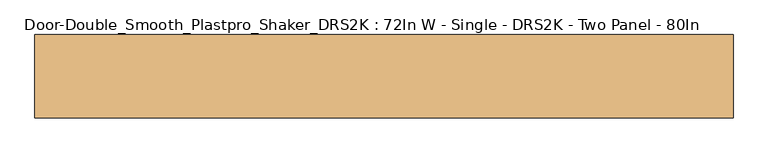
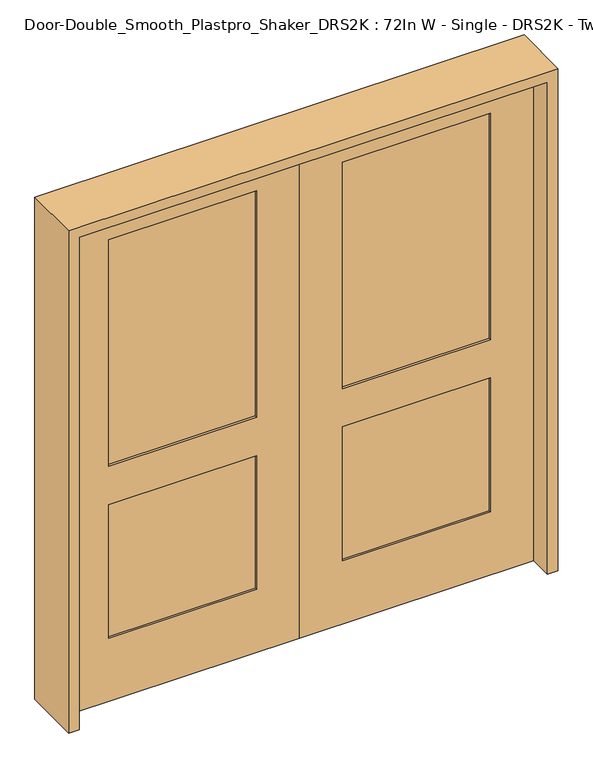
"""IFC4 building model written with IfcOpenShell, lengths in millimetres: door geometry, Door-Double_Smooth_Plastpro_Shaker_DRS2K : 72In W - Single - DRS2K - Two Panel - 80In."""

from ifc_helpers import new_model, si_unit, frame, origin, place, context, project, spatial, polyline, outline, extrude, faceted_brep, source, transform, mapped, element, save


def door_double_smooth_plastpro_shaker_drs2k_72in_w_single_drs2k_bf1fdfca(model_context):
    return source(origin(), model_context, "Body", "SolidModel", [
        faceted_brep([(0.0, 20.6375, 2032.0), (0.0, -20.6375, 2032.0), (914.4, -20.6375, 2032.0), (914.4, 20.6375, 2032.0), (0.0, 20.6375, 0.0), (914.4, 20.6375, 0.0), (914.4, -20.6375, 0.0), (0.0, -20.6375, 0.0), (746.125, 20.6375, 1905.0), (168.275, 20.6375, 1905.0), (168.275, 20.6375, 971.55), (746.125, 20.6375, 971.55), (746.125, 20.6375, 812.8), (168.275, 20.6375, 812.8), (168.275, 20.6375, 260.35), (746.125, 20.6375, 260.35), (746.125, -20.6375, 971.55), (168.275, -20.6375, 971.55), (168.275, -20.6375, 1905.0), (746.125, -20.6375, 1905.0), (746.125, -20.6375, 260.35), (168.275, -20.6375, 260.35), (168.275, -20.6375, 812.8), (746.125, -20.6375, 812.8), (746.125, -11.6572439, 971.55), (746.125, -11.6572439, 1905.0), (168.275, -11.6572439, 1905.0), (168.275, -11.6572439, 971.55), (746.125, -11.6572439, 260.35), (746.125, -11.6572439, 812.8), (168.275, -11.6572439, 812.8), (168.275, -11.6572439, 260.35), (746.125, 11.6572439, 971.55), (168.275, 11.6572439, 971.55), (168.275, 11.6572439, 1905.0), (746.125, 11.6572439, 1905.0), (746.125, 11.6572439, 260.35), (168.275, 11.6572439, 260.35), (168.275, 11.6572439, 812.8), (746.125, 11.6572439, 812.8)], [[[0, 1, 2, 3]], [[4, 5, 6, 7]], [[3, 5, 4, 0], [8, 9, 10, 11], [12, 13, 14, 15]], [[2, 6, 5, 3]], [[1, 7, 6, 2], [16, 17, 18, 19], [20, 21, 22, 23]], [[0, 4, 7, 1]], [[24, 25, 26, 27]], [[28, 29, 30, 31]], [[24, 16, 19, 25]], [[25, 19, 18, 26]], [[26, 18, 17, 27]], [[27, 17, 16, 24]], [[28, 20, 23, 29]], [[29, 23, 22, 30]], [[30, 22, 21, 31]], [[31, 21, 20, 28]], [[32, 33, 34, 35]], [[36, 37, 38, 39]], [[35, 8, 11, 32]], [[34, 9, 8, 35]], [[33, 10, 9, 34]], [[32, 11, 10, 33]], [[39, 12, 15, 36]], [[38, 13, 12, 39]], [[37, 14, 13, 38]], [[36, 15, 14, 37]]]),
        faceted_brep([(0.0, 20.6375, 2032.0), (-914.4, 20.6375, 2032.0), (-914.4, -20.6375, 2032.0), (0.0, -20.6375, 2032.0), (0.0, 20.6375, 0.0), (0.0, -20.6375, 0.0), (-914.4, -20.6375, 0.0), (-914.4, 20.6375, 0.0), (-746.125, 20.6375, 1905.0), (-746.125, 20.6375, 971.55), (-168.275, 20.6375, 971.55), (-168.275, 20.6375, 1905.0), (-746.125, 20.6375, 812.8), (-746.125, 20.6375, 260.35), (-168.275, 20.6375, 260.35), (-168.275, 20.6375, 812.8), (-746.125, -20.6375, 971.55), (-746.125, -20.6375, 1905.0), (-168.275, -20.6375, 1905.0), (-168.275, -20.6375, 971.55), (-746.125, -20.6375, 260.35), (-746.125, -20.6375, 812.8), (-168.275, -20.6375, 812.8), (-168.275, -20.6375, 260.35), (-746.125, -11.6572439, 971.55), (-168.275, -11.6572439, 971.55), (-168.275, -11.6572439, 1905.0), (-746.125, -11.6572439, 1905.0), (-746.125, -11.6572439, 260.35), (-168.275, -11.6572439, 260.35), (-168.275, -11.6572439, 812.8), (-746.125, -11.6572439, 812.8), (-746.125, 11.6572439, 971.55), (-746.125, 11.6572439, 1905.0), (-168.275, 11.6572439, 1905.0), (-168.275, 11.6572439, 971.55), (-746.125, 11.6572439, 260.35), (-746.125, 11.6572439, 812.8), (-168.275, 11.6572439, 812.8), (-168.275, 11.6572439, 260.35)], [[[0, 1, 2, 3]], [[4, 5, 6, 7]], [[1, 0, 4, 7], [8, 9, 10, 11], [12, 13, 14, 15]], [[2, 1, 7, 6]], [[3, 2, 6, 5], [16, 17, 18, 19], [20, 21, 22, 23]], [[0, 3, 5, 4]], [[24, 25, 26, 27]], [[28, 29, 30, 31]], [[24, 27, 17, 16]], [[27, 26, 18, 17]], [[26, 25, 19, 18]], [[25, 24, 16, 19]], [[28, 31, 21, 20]], [[31, 30, 22, 21]], [[30, 29, 23, 22]], [[29, 28, 20, 23]], [[32, 33, 34, 35]], [[36, 37, 38, 39]], [[33, 32, 9, 8]], [[34, 33, 8, 11]], [[35, 34, 11, 10]], [[32, 35, 10, 9]], [[37, 36, 13, 12]], [[38, 37, 12, 15]], [[39, 38, 15, 14]], [[36, 39, 14, 13]]]),
        extrude(outline(polyline([(2073.275, -955.675), (0.0, -955.675), (0.0, -914.4), (2032.0, -914.4), (2032.0, 914.4), (0.0, 914.4), (0.0, 955.675), (2073.275, 955.675), (2073.275, -955.675)])), frame((0.0, -114.3, 0.0), z_axis=(0.0, 1.0, 0.0), x_axis=(0.0, 0.0, 1.0)), (0.0, 0.0, 1.0), 228.6),
    ])


if __name__ == "__main__":
    model = new_model("IFC4")
    model_context = context("Model", 3, world=origin())
    ifc_project = project(units=[si_unit("LENGTHUNIT", "METRE", prefix="MILLI")], contexts=[model_context])
    site = spatial("IfcSite", under=ifc_project)
    building = spatial("IfcBuilding", under=site)
    placement = place(None, origin())
    door_double_smooth_plastpro_shaker_drs2k_72in_w_single_drs2k_shape = door_double_smooth_plastpro_shaker_drs2k_72in_w_single_drs2k_bf1fdfca(model_context)
    element("IfcDoor", 1, ObjectType="Door-Double_Smooth_Plastpro_Shaker_DRS2K : 72In W - Single - DRS2K - Two Panel - 80In", at=placement, inside=building, context=model_context, shape_type="MappedRepresentation", body=[
        mapped(door_double_smooth_plastpro_shaker_drs2k_72in_w_single_drs2k_shape, transform((0.0, 0.0, 0.0), x_axis=(1.0, 0.0, 0.0), y_axis=(0.0, 1.0, 0.0), z_axis=(0.0, 0.0, 1.0))),
    ])
    save(model, "model.ifc")
